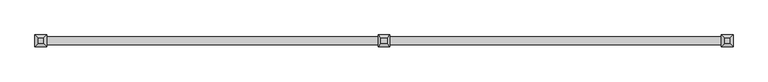
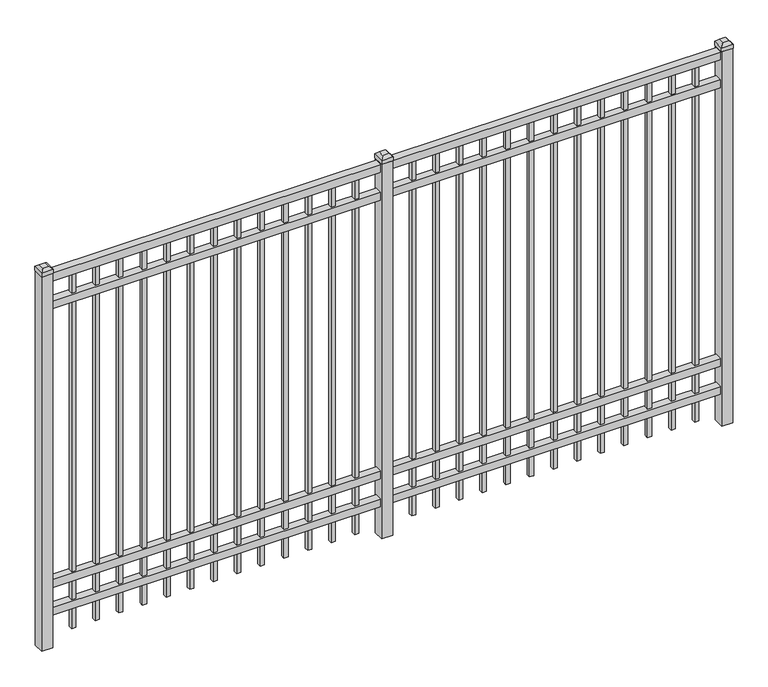
"""IFC4 building model written with IfcOpenShell, lengths in millimetres: railing geometry."""

from ifc_helpers import new_model, si_unit, frame, origin, origin_with_axes, place, context, project, spatial, polyline, outline, extrude, faceted_brep, source, transform, mapped, element, save


def railing_e99ab50b(model_context):
    return source(origin(), model_context, "Body", "SolidModel", [
        extrude(outline(polyline([(-67441.318087, -6748.7195174), (-67441.318087, -6713.7945174), (-64291.718087, -6713.7945174), (-64291.718087, -6748.7195174), (-67441.318087, -6748.7195174)])), frame((0.0, 0.0, 1790.7), z_axis=(0.0, 0.0, 1.0), x_axis=(1.0, 0.0, 0.0)), (0.0, 0.0, 1.0), 38.1),
        extrude(outline(polyline([(-67441.318087, -6748.7195174), (-67441.318087, -6713.7945174), (-64291.718087, -6713.7945174), (-64291.718087, -6748.7195174), (-67441.318087, -6748.7195174)])), frame((0.0, 0.0, 1654.175), z_axis=(0.0, 0.0, 1.0), x_axis=(1.0, 0.0, 0.0)), (0.0, 0.0, 1.0), 38.1),
        extrude(outline(polyline([(-67441.318087, -6748.7195174), (-67441.318087, -6713.7945174), (-64291.718087, -6713.7945174), (-64291.718087, -6748.7195174), (-67441.318087, -6748.7195174)])), frame((0.0, 0.0, 288.925), z_axis=(0.0, 0.0, 1.0), x_axis=(1.0, 0.0, 0.0)), (0.0, 0.0, 1.0), 38.1),
        extrude(outline(polyline([(-67441.318087, -6748.7195174), (-67441.318087, -6713.7945174), (-64291.718087, -6713.7945174), (-64291.718087, -6748.7195174), (-67441.318087, -6748.7195174)])), frame((0.0, 0.0, 152.4), z_axis=(0.0, 0.0, 1.0), x_axis=(1.0, 0.0, 0.0)), (0.0, 0.0, 1.0), 38.1),
        extrude(outline(polyline([(-64523.2285036, -6721.7320174), (-64523.2285036, -6740.7820174), (-64542.2785036, -6740.7820174), (-64542.2785036, -6721.7320174), (-64523.2285036, -6721.7320174)])), frame((0.0, 0.0, 50.8), z_axis=(0.0, 0.0, 1.0), x_axis=(1.0, 0.0, 0.0)), (0.0, 0.0, 1.0), 1739.9),
        extrude(outline(polyline([(-64632.5014203, -6721.7320174), (-64632.5014203, -6740.7820174), (-64651.5514203, -6740.7820174), (-64651.5514203, -6721.7320174), (-64632.5014203, -6721.7320174)])), frame((0.0, 0.0, 50.8), z_axis=(0.0, 0.0, 1.0), x_axis=(1.0, 0.0, 0.0)), (0.0, 0.0, 1.0), 1739.9),
        extrude(outline(polyline([(-64741.774337, -6721.7320174), (-64741.774337, -6740.7820174), (-64760.824337, -6740.7820174), (-64760.824337, -6721.7320174), (-64741.774337, -6721.7320174)])), frame((0.0, 0.0, 50.8), z_axis=(0.0, 0.0, 1.0), x_axis=(1.0, 0.0, 0.0)), (0.0, 0.0, 1.0), 1739.9),
        extrude(outline(polyline([(-64851.0472536, -6721.7320174), (-64851.0472536, -6740.7820174), (-64870.0972536, -6740.7820174), (-64870.0972536, -6721.7320174), (-64851.0472536, -6721.7320174)])), frame((0.0, 0.0, 50.8), z_axis=(0.0, 0.0, 1.0), x_axis=(1.0, 0.0, 0.0)), (0.0, 0.0, 1.0), 1739.9),
        extrude(outline(polyline([(-64960.3201703, -6721.7320174), (-64960.3201703, -6740.7820174), (-64979.3701703, -6740.7820174), (-64979.3701703, -6721.7320174), (-64960.3201703, -6721.7320174)])), frame((0.0, 0.0, 50.8), z_axis=(0.0, 0.0, 1.0), x_axis=(1.0, 0.0, 0.0)), (0.0, 0.0, 1.0), 1739.9),
        extrude(outline(polyline([(-65069.593087, -6721.7320174), (-65069.593087, -6740.7820174), (-65088.643087, -6740.7820174), (-65088.643087, -6721.7320174), (-65069.593087, -6721.7320174)])), frame((0.0, 0.0, 50.8), z_axis=(0.0, 0.0, 1.0), x_axis=(1.0, 0.0, 0.0)), (0.0, 0.0, 1.0), 1739.9),
        extrude(outline(polyline([(-65178.8660036, -6721.7320174), (-65178.8660036, -6740.7820174), (-65197.9160036, -6740.7820174), (-65197.9160036, -6721.7320174), (-65178.8660036, -6721.7320174)])), frame((0.0, 0.0, 50.8), z_axis=(0.0, 0.0, 1.0), x_axis=(1.0, 0.0, 0.0)), (0.0, 0.0, 1.0), 1739.9),
        extrude(outline(polyline([(-65288.1389203, -6721.7320174), (-65288.1389203, -6740.7820174), (-65307.1889203, -6740.7820174), (-65307.1889203, -6721.7320174), (-65288.1389203, -6721.7320174)])), frame((0.0, 0.0, 50.8), z_axis=(0.0, 0.0, 1.0), x_axis=(1.0, 0.0, 0.0)), (0.0, 0.0, 1.0), 1739.9),
        extrude(outline(polyline([(-65397.411837, -6721.7320174), (-65397.411837, -6740.7820174), (-65416.461837, -6740.7820174), (-65416.461837, -6721.7320174), (-65397.411837, -6721.7320174)])), frame((0.0, 0.0, 50.8), z_axis=(0.0, 0.0, 1.0), x_axis=(1.0, 0.0, 0.0)), (0.0, 0.0, 1.0), 1739.9),
        extrude(outline(polyline([(-65506.6847536, -6721.7320174), (-65506.6847536, -6740.7820174), (-65525.7347536, -6740.7820174), (-65525.7347536, -6721.7320174), (-65506.6847536, -6721.7320174)])), frame((0.0, 0.0, 50.8), z_axis=(0.0, 0.0, 1.0), x_axis=(1.0, 0.0, 0.0)), (0.0, 0.0, 1.0), 1739.9),
        extrude(outline(polyline([(-65615.9576703, -6721.7320174), (-65615.9576703, -6740.7820174), (-65635.0076703, -6740.7820174), (-65635.0076703, -6721.7320174), (-65615.9576703, -6721.7320174)])), frame((0.0, 0.0, 50.8), z_axis=(0.0, 0.0, 1.0), x_axis=(1.0, 0.0, 0.0)), (0.0, 0.0, 1.0), 1739.9),
        extrude(outline(polyline([(-64413.955587, -6721.7320174), (-64413.955587, -6740.7820174), (-64433.005587, -6740.7820174), (-64433.005587, -6721.7320174), (-64413.955587, -6721.7320174)])), frame((0.0, 0.0, 50.8), z_axis=(0.0, 0.0, 1.0), x_axis=(1.0, 0.0, 0.0)), (0.0, 0.0, 1.0), 1739.9),
        extrude(outline(polyline([(-65725.230587, -6721.7320174), (-65725.230587, -6740.7820174), (-65744.280587, -6740.7820174), (-65744.280587, -6721.7320174), (-65725.230587, -6721.7320174)])), frame((0.0, 0.0, 50.8), z_axis=(0.0, 0.0, 1.0), x_axis=(1.0, 0.0, 0.0)), (0.0, 0.0, 1.0), 1739.9),
        extrude(outline(polyline([(-65841.118087, -6705.8570174), (-65841.118087, -6756.6570174), (-65891.918087, -6756.6570174), (-65891.918087, -6705.8570174), (-65841.118087, -6705.8570174)])), origin_with_axes(), (0.0, 0.0, 1.0), 1835.15),
        faceted_brep([(-65893.505587, -6704.2695174, 1854.2), (-65893.505587, -6704.2695174, 1835.15), (-65893.505587, -6758.2445174, 1835.15), (-65893.505587, -6758.2445174, 1854.2), (-65880.805587, -6716.9695174, 1866.9), (-65880.805587, -6745.5445174, 1866.9), (-65839.530587, -6758.2445174, 1835.15), (-65839.530587, -6758.2445174, 1854.2), (-65852.230587, -6745.5445174, 1866.9), (-65839.530587, -6704.2695174, 1835.15), (-65839.530587, -6704.2695174, 1854.2), (-65852.230587, -6716.9695174, 1866.9)], [[[0, 1, 2, 3]], [[4, 0, 3, 5]], [[3, 2, 6, 7]], [[5, 3, 7, 8]], [[7, 6, 9, 10]], [[8, 7, 10, 11]], [[10, 9, 1, 0]], [[11, 10, 0, 4]], [[5, 8, 11, 4]], [[1, 9, 6, 2]]]),
        extrude(outline(polyline([(-66098.0285036, -6721.7320174), (-66098.0285036, -6740.7820174), (-66117.0785036, -6740.7820174), (-66117.0785036, -6721.7320174), (-66098.0285036, -6721.7320174)])), frame((0.0, 0.0, 50.8), z_axis=(0.0, 0.0, 1.0), x_axis=(1.0, 0.0, 0.0)), (0.0, 0.0, 1.0), 1739.9),
        extrude(outline(polyline([(-66207.3014203, -6721.7320174), (-66207.3014203, -6740.7820174), (-66226.3514203, -6740.7820174), (-66226.3514203, -6721.7320174), (-66207.3014203, -6721.7320174)])), frame((0.0, 0.0, 50.8), z_axis=(0.0, 0.0, 1.0), x_axis=(1.0, 0.0, 0.0)), (0.0, 0.0, 1.0), 1739.9),
        extrude(outline(polyline([(-66316.574337, -6721.7320174), (-66316.574337, -6740.7820174), (-66335.624337, -6740.7820174), (-66335.624337, -6721.7320174), (-66316.574337, -6721.7320174)])), frame((0.0, 0.0, 50.8), z_axis=(0.0, 0.0, 1.0), x_axis=(1.0, 0.0, 0.0)), (0.0, 0.0, 1.0), 1739.9),
        extrude(outline(polyline([(-66425.8472536, -6721.7320174), (-66425.8472536, -6740.7820174), (-66444.8972536, -6740.7820174), (-66444.8972536, -6721.7320174), (-66425.8472536, -6721.7320174)])), frame((0.0, 0.0, 50.8), z_axis=(0.0, 0.0, 1.0), x_axis=(1.0, 0.0, 0.0)), (0.0, 0.0, 1.0), 1739.9),
        extrude(outline(polyline([(-66535.1201703, -6721.7320174), (-66535.1201703, -6740.7820174), (-66554.1701703, -6740.7820174), (-66554.1701703, -6721.7320174), (-66535.1201703, -6721.7320174)])), frame((0.0, 0.0, 50.8), z_axis=(0.0, 0.0, 1.0), x_axis=(1.0, 0.0, 0.0)), (0.0, 0.0, 1.0), 1739.9),
        extrude(outline(polyline([(-66644.393087, -6721.7320174), (-66644.393087, -6740.7820174), (-66663.443087, -6740.7820174), (-66663.443087, -6721.7320174), (-66644.393087, -6721.7320174)])), frame((0.0, 0.0, 50.8), z_axis=(0.0, 0.0, 1.0), x_axis=(1.0, 0.0, 0.0)), (0.0, 0.0, 1.0), 1739.9),
        extrude(outline(polyline([(-66753.6660036, -6721.7320174), (-66753.6660036, -6740.7820174), (-66772.7160036, -6740.7820174), (-66772.7160036, -6721.7320174), (-66753.6660036, -6721.7320174)])), frame((0.0, 0.0, 50.8), z_axis=(0.0, 0.0, 1.0), x_axis=(1.0, 0.0, 0.0)), (0.0, 0.0, 1.0), 1739.9),
        extrude(outline(polyline([(-66862.9389203, -6721.7320174), (-66862.9389203, -6740.7820174), (-66881.9889203, -6740.7820174), (-66881.9889203, -6721.7320174), (-66862.9389203, -6721.7320174)])), frame((0.0, 0.0, 50.8), z_axis=(0.0, 0.0, 1.0), x_axis=(1.0, 0.0, 0.0)), (0.0, 0.0, 1.0), 1739.9),
        extrude(outline(polyline([(-66972.211837, -6721.7320174), (-66972.211837, -6740.7820174), (-66991.261837, -6740.7820174), (-66991.261837, -6721.7320174), (-66972.211837, -6721.7320174)])), frame((0.0, 0.0, 50.8), z_axis=(0.0, 0.0, 1.0), x_axis=(1.0, 0.0, 0.0)), (0.0, 0.0, 1.0), 1739.9),
        extrude(outline(polyline([(-67081.4847536, -6721.7320174), (-67081.4847536, -6740.7820174), (-67100.5347536, -6740.7820174), (-67100.5347536, -6721.7320174), (-67081.4847536, -6721.7320174)])), frame((0.0, 0.0, 50.8), z_axis=(0.0, 0.0, 1.0), x_axis=(1.0, 0.0, 0.0)), (0.0, 0.0, 1.0), 1739.9),
        extrude(outline(polyline([(-67190.7576703, -6721.7320174), (-67190.7576703, -6740.7820174), (-67209.8076703, -6740.7820174), (-67209.8076703, -6721.7320174), (-67190.7576703, -6721.7320174)])), frame((0.0, 0.0, 50.8), z_axis=(0.0, 0.0, 1.0), x_axis=(1.0, 0.0, 0.0)), (0.0, 0.0, 1.0), 1739.9),
        extrude(outline(polyline([(-65988.755587, -6721.7320174), (-65988.755587, -6740.7820174), (-66007.805587, -6740.7820174), (-66007.805587, -6721.7320174), (-65988.755587, -6721.7320174)])), frame((0.0, 0.0, 50.8), z_axis=(0.0, 0.0, 1.0), x_axis=(1.0, 0.0, 0.0)), (0.0, 0.0, 1.0), 1739.9),
        extrude(outline(polyline([(-67300.030587, -6721.7320174), (-67300.030587, -6740.7820174), (-67319.080587, -6740.7820174), (-67319.080587, -6721.7320174), (-67300.030587, -6721.7320174)])), frame((0.0, 0.0, 50.8), z_axis=(0.0, 0.0, 1.0), x_axis=(1.0, 0.0, 0.0)), (0.0, 0.0, 1.0), 1739.9),
        extrude(outline(polyline([(-64266.318087, -6705.8570174), (-64266.318087, -6756.6570174), (-64317.118087, -6756.6570174), (-64317.118087, -6705.8570174), (-64266.318087, -6705.8570174)])), origin_with_axes(), (0.0, 0.0, 1.0), 1835.15),
        faceted_brep([(-64318.705587, -6704.2695174, 1854.2), (-64318.705587, -6704.2695174, 1835.15), (-64318.705587, -6758.2445174, 1835.15), (-64318.705587, -6758.2445174, 1854.2), (-64306.005587, -6716.9695174, 1866.9), (-64306.005587, -6745.5445174, 1866.9), (-64264.730587, -6758.2445174, 1835.15), (-64264.730587, -6758.2445174, 1854.2), (-64277.430587, -6745.5445174, 1866.9), (-64264.730587, -6704.2695174, 1835.15), (-64264.730587, -6704.2695174, 1854.2), (-64277.430587, -6716.9695174, 1866.9)], [[[0, 1, 2, 3]], [[4, 0, 3, 5]], [[3, 2, 6, 7]], [[5, 3, 7, 8]], [[7, 6, 9, 10]], [[8, 7, 10, 11]], [[10, 9, 1, 0]], [[11, 10, 0, 4]], [[5, 8, 11, 4]], [[1, 9, 6, 2]]]),
        extrude(outline(polyline([(-67415.918087, -6705.8570174), (-67415.918087, -6756.6570174), (-67466.718087, -6756.6570174), (-67466.718087, -6705.8570174), (-67415.918087, -6705.8570174)])), origin_with_axes(), (0.0, 0.0, 1.0), 1835.15),
        faceted_brep([(-67468.305587, -6704.2695174, 1854.2), (-67468.305587, -6704.2695174, 1835.15), (-67468.305587, -6758.2445174, 1835.15), (-67468.305587, -6758.2445174, 1854.2), (-67455.605587, -6716.9695174, 1866.9), (-67455.605587, -6745.5445174, 1866.9), (-67414.330587, -6758.2445174, 1835.15), (-67414.330587, -6758.2445174, 1854.2), (-67427.030587, -6745.5445174, 1866.9), (-67414.330587, -6704.2695174, 1835.15), (-67414.330587, -6704.2695174, 1854.2), (-67427.030587, -6716.9695174, 1866.9)], [[[0, 1, 2, 3]], [[4, 0, 3, 5]], [[3, 2, 6, 7]], [[5, 3, 7, 8]], [[7, 6, 9, 10]], [[8, 7, 10, 11]], [[10, 9, 1, 0]], [[11, 10, 0, 4]], [[5, 8, 11, 4]], [[1, 9, 6, 2]]]),
    ])


if __name__ == "__main__":
    model = new_model("IFC4")
    model_context = context("Model", 3, world=origin())
    ifc_project = project(units=[si_unit("LENGTHUNIT", "METRE", prefix="MILLI")], contexts=[model_context])
    site = spatial("IfcSite", under=ifc_project)
    building = spatial("IfcBuilding", under=site)
    placement = place(None, origin())
    railing_shape = railing_e99ab50b(model_context)
    element("IfcRailing", 1, at=placement, inside=building, context=model_context, shape_type="MappedRepresentation", body=[
        mapped(railing_shape, transform((0.0, 0.0, 0.0), x_axis=(1.0, 0.0, 0.0), y_axis=(0.0, 1.0, 0.0), z_axis=(0.0, 0.0, 1.0))),
    ])
    save(model, "model.ifc")
